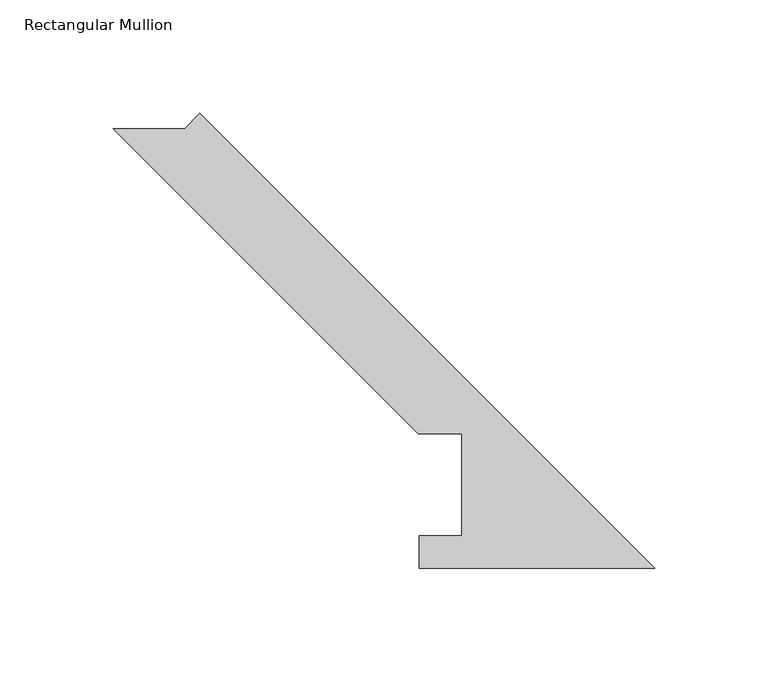
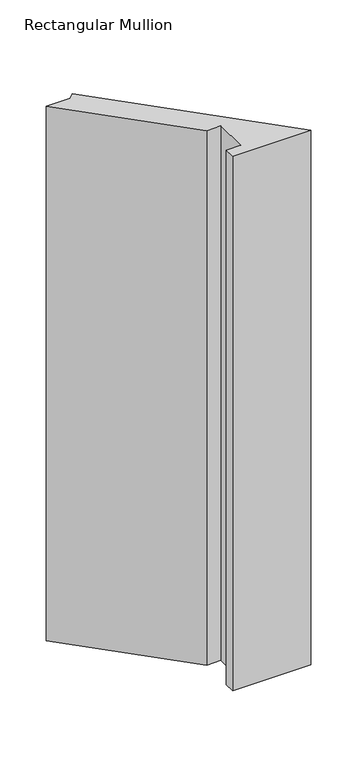
"""IFC4 building model written with IfcOpenShell, lengths in millimetres: member geometry, Rectangular Mullion."""

import ifcopenshell
import ifcopenshell.guid

model = None  # the IFC model being written
_history = None  # IfcOwnerHistory: only IFC2X3 demands one
_inside = {}  # id of a spatial element -> (the spatial element, [elements in it])
_under = {}  # id of a project, library or spatial element -> (it, [spatial elements below it])
_declared = {}  # id of a project -> (the project, [libraries it declares])
_typed = {}  # id of a type object -> (the type object, [elements of that type])
_made_of = {}  # id of a material, layer set ... -> (it, [elements and type objects made of it])


def new_model(schema):
    """Start an empty IFC model of exactly this schema.

    Asked for "IFC4X3", IfcOpenShell would pick the latest addendum, in which some entities
    have other attributes; the version numbers below select the first issue.
    IFC2X3 requires an IfcOwnerHistory on every rooted entity: one is made here for all.
    """
    global model, _history
    if schema == "IFC4X3":
        model = ifcopenshell.file(schema_version=(4, 3, 0, 0))
    else:
        model = ifcopenshell.file(schema=schema)
    _inside.clear()
    _under.clear()
    _declared.clear()
    _typed.clear()
    _made_of.clear()
    _history = None
    if model.schema == "IFC2X3":
        org = make("IfcOrganization", Name="unknown")
        user = make(
            "IfcPersonAndOrganization",
            ThePerson=make("IfcPerson", FamilyName="unknown"),
            TheOrganization=org,
        )
        app = make(
            "IfcApplication",
            ApplicationDeveloper=org,
            Version="unknown",
            ApplicationFullName="unknown",
            ApplicationIdentifier="unknown",
        )
        _history = make(
            "IfcOwnerHistory",
            OwningUser=user,
            OwningApplication=app,
            ChangeAction="ADDED",
            CreationDate=0,
        )
    return model


def make(cls, **values):
    """One entity of the class cls with the attributes given. An attribute that is None is left unset."""
    return model.create_entity(
        cls, **{name: value for name, value in values.items() if value is not None}
    )


def rooted(cls, **values):
    """An entity with a GlobalId (a new one), such as an element, a storey or a relation."""
    return make(cls, GlobalId=ifcopenshell.guid.new(), OwnerHistory=_history, **values)


def si_unit(unit_type, name, prefix=None):
    """IfcSIUnit, for example si_unit("LENGTHUNIT", "METRE", prefix="MILLI")."""
    return make("IfcSIUnit", UnitType=unit_type, Prefix=prefix, Name=name)


def assignment(units):
    """IfcUnitAssignment: the units of a project."""
    return None if units is None else make("IfcUnitAssignment", Units=units)


def point(xyz):
    """IfcCartesianPoint."""
    return None if xyz is None else make("IfcCartesianPoint", Coordinates=xyz)


def direction(xyz):
    """IfcDirection."""
    return None if xyz is None else make("IfcDirection", DirectionRatios=xyz)


def frame(location, z_axis=None, x_axis=None):
    """IfcAxis2Placement3D, a coordinate frame: its origin and axes. An axis left out is left unset."""
    return make(
        "IfcAxis2Placement3D",
        Location=point(location),
        Axis=direction(z_axis),
        RefDirection=direction(x_axis),
    )


def origin():
    """The frame at (0, 0, 0) with its axes left unset."""
    return frame((0.0, 0.0, 0.0))


def place(relative_to, where):
    """IfcLocalPlacement: puts the frame where relative to a parent placement (None: the world)."""
    return make(
        "IfcLocalPlacement", PlacementRelTo=relative_to, RelativePlacement=where
    )


def context(
    kind, dimensions, precision=None, world=None, true_north=None, identifier=None
):
    """IfcGeometricRepresentationContext, for example the 3D "Model" context."""
    return make(
        "IfcGeometricRepresentationContext",
        ContextIdentifier=identifier,
        ContextType=kind,
        CoordinateSpaceDimension=dimensions,
        Precision=precision,
        WorldCoordinateSystem=world,
        TrueNorth=true_north,
    )


def project(units=None, contexts=None):
    """IfcProject with its units and contexts."""
    return rooted(
        "IfcProject",
        Name="project",
        RepresentationContexts=contexts,
        UnitsInContext=assignment(units),
    )


def spatial(cls, under=None, at=None, **own):
    """A site, building, storey or space (cls), placed at a placement, below another one or the project."""
    s = rooted(cls, ObjectPlacement=at, **own)
    if under is not None:
        _under.setdefault(under.id(), (under, []))[1].append(s)
    return s


def polyline(points):
    """IfcPolyline through the points."""
    return make("IfcPolyline", Points=[point(p) for p in points])


def outline(outer, holes=None, kind="AREA"):
    """IfcArbitraryClosedProfileDef: a profile drawn as a closed curve; with holes, ...WithVoids."""
    if holes is None:
        return make("IfcArbitraryClosedProfileDef", ProfileType=kind, OuterCurve=outer)
    return make(
        "IfcArbitraryProfileDefWithVoids",
        ProfileType=kind,
        OuterCurve=outer,
        InnerCurves=holes,
    )


def extrude(swept, where, along, depth):
    """IfcExtrudedAreaSolid: the profile swept, set in the frame where, extruded along a direction by depth."""
    return make(
        "IfcExtrudedAreaSolid",
        SweptArea=swept,
        Position=where,
        ExtrudedDirection=direction(along),
        Depth=depth,
    )


def shape(context_of_items, identifier, shape_type, items):
    """IfcShapeRepresentation: the items that make up one representation, for example the "Body"."""
    return make(
        "IfcShapeRepresentation",
        ContextOfItems=context_of_items,
        RepresentationIdentifier=identifier,
        RepresentationType=shape_type,
        Items=items,
    )


def source(mapping_origin, context_of_items, identifier, shape_type, items):
    """IfcRepresentationMap: a shape defined once, which mapped items show again and again."""
    return make(
        "IfcRepresentationMap",
        MappingOrigin=mapping_origin,
        MappedRepresentation=shape(context_of_items, identifier, shape_type, items),
    )


def transform(
    local_origin,
    x_axis=None,
    y_axis=None,
    z_axis=None,
    scale=None,
    scale2=None,
    scale3=None,
    uniform=True,
):
    """IfcCartesianTransformationOperator3D, or its non-uniform kind. x_axis, y_axis, z_axis: its Axis1, 2, 3."""
    if uniform:
        return make(
            "IfcCartesianTransformationOperator3D",
            Axis1=direction(x_axis),
            Axis2=direction(y_axis),
            LocalOrigin=point(local_origin),
            Scale=scale,
            Axis3=direction(z_axis),
        )
    return make(
        "IfcCartesianTransformationOperator3DnonUniform",
        Axis1=direction(x_axis),
        Axis2=direction(y_axis),
        LocalOrigin=point(local_origin),
        Scale=scale,
        Axis3=direction(z_axis),
        Scale2=scale2,
        Scale3=scale3,
    )


def mapped(mapping_source, mapping_target):
    """IfcMappedItem: shows the shape of a source again, moved by a transform."""
    return make(
        "IfcMappedItem", MappingSource=mapping_source, MappingTarget=mapping_target
    )


def made_of(thing, what):
    """Note that an element or type object is made of a material, layer set ...; save() writes the relation."""
    if what is not None:
        _made_of.setdefault(what.id(), (what, []))[1].append(thing)
    return thing


def element(
    cls,
    number,
    at=None,
    inside=None,
    cuts=None,
    type_object=None,
    material=None,
    context=None,
    identifier="Body",
    shape_type=None,
    held_by="IfcProductDefinitionShape",
    body=None,
    shapes=None,
    **own,
):
    """One element of the class cls, such as IfcWall. Its Tag is "e" and its number.

    at: its placement. inside: the storey or other place that contains it. cuts: it is an
    opening in that element (IfcRelVoidsElement). A single representation is given by context,
    identifier, shape_type and body (its items); several are given by shapes. held_by: the class
    of the entity that holds the representations. save() writes the other relations.
    """
    e = rooted(cls, Tag="e%d" % number, ObjectPlacement=at, **own)
    if body is not None:
        shapes = [shape(context, identifier, shape_type, body)]
    if shapes is not None:
        e.Representation = make(held_by, Representations=shapes)
    if inside is not None:
        _inside.setdefault(inside.id(), (inside, []))[1].append(e)
    if cuts is not None:
        rooted(
            "IfcRelVoidsElement", RelatingBuildingElement=cuts, RelatedOpeningElement=e
        )
    if type_object is not None:
        _typed.setdefault(type_object.id(), (type_object, []))[1].append(e)
    return made_of(e, material)


def aggregate(whole, parts):
    """IfcRelAggregates: a whole, such as a stair, and the parts it consists of."""
    return rooted("IfcRelAggregates", RelatingObject=whole, RelatedObjects=parts)


def save(model, path):
    """Write the relations noted so far, then the file.

    IfcRelAggregates (storeys below a building ...), IfcRelContainedInSpatialStructure (elements
    in a storey), IfcRelDefinesByType, IfcRelAssociatesMaterial and IfcRelDeclares: one each for
    every whole, place, type object, material and project.
    """
    for whole, parts in _under.values():
        aggregate(whole, parts)
    for where, things in _inside.values():
        rooted(
            "IfcRelContainedInSpatialStructure",
            RelatedElements=things,
            RelatingStructure=where,
        )
    for kind, things in _typed.values():
        rooted("IfcRelDefinesByType", RelatedObjects=things, RelatingType=kind)
    for what, things in _made_of.values():
        rooted("IfcRelAssociatesMaterial", RelatedObjects=things, RelatingMaterial=what)
    for by, libraries in _declared.values():
        rooted("IfcRelDeclares", RelatingContext=by, RelatedDefinitions=libraries)
    model.write(path)


def rectangular_mullion_22626d18(model_context):
    return source(origin(), model_context, "Body", "SweptSolid", [
        extrude(outline(polyline([(-207.3388849, 194.0554867), (-200.6036928, 200.7906788), (0.0, 0.186986), (-103.8932205, 0.186986), (-103.8932205, 14.436386), (-85.1955446, 14.436386), (-85.1955446, 59.53125), (-104.2455446, 59.53125), (-238.7697813, 194.0554867), (-207.3388849, 194.0554867)])), frame((0.0, 0.0, -749.3), z_axis=(0.0, 0.0, 1.0), x_axis=(1.0, 0.0, 0.0)), (0.0, 0.0, 1.0), 749.3),
    ])


if __name__ == "__main__":
    model = new_model("IFC4")
    model_context = context("Model", 3, world=origin())
    ifc_project = project(units=[si_unit("LENGTHUNIT", "METRE", prefix="MILLI")], contexts=[model_context])
    site = spatial("IfcSite", under=ifc_project)
    building = spatial("IfcBuilding", under=site)
    placement = place(None, origin())
    rectangular_mullion_shape = rectangular_mullion_22626d18(model_context)
    element("IfcMember", 1, ObjectType="Rectangular Mullion", at=placement, inside=building, context=model_context, shape_type="MappedRepresentation", body=[
        mapped(rectangular_mullion_shape, transform((0.0, 0.0, 0.0), x_axis=(1.0, 0.0, 0.0), y_axis=(0.0, 1.0, 0.0), z_axis=(0.0, 0.0, 1.0))),
    ])
    save(model, "model.ifc")
